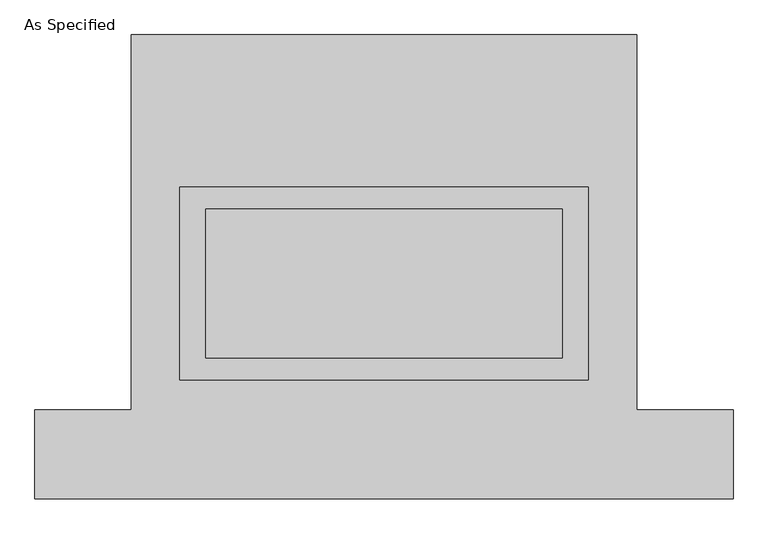
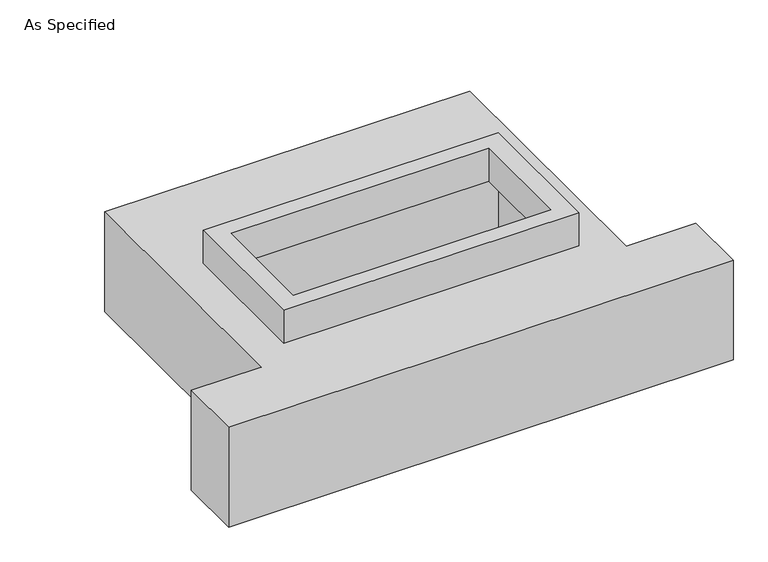
"""IFC4 building model written with IfcOpenShell, lengths in millimetres: proxy geometry, As Specified."""

import ifcopenshell
import ifcopenshell.guid

model = None  # the IFC model being written
_history = None  # IfcOwnerHistory: only IFC2X3 demands one
_inside = {}  # id of a spatial element -> (the spatial element, [elements in it])
_under = {}  # id of a project, library or spatial element -> (it, [spatial elements below it])
_declared = {}  # id of a project -> (the project, [libraries it declares])
_typed = {}  # id of a type object -> (the type object, [elements of that type])
_made_of = {}  # id of a material, layer set ... -> (it, [elements and type objects made of it])


def new_model(schema):
    """Start an empty IFC model of exactly this schema.

    Asked for "IFC4X3", IfcOpenShell would pick the latest addendum, in which some entities
    have other attributes; the version numbers below select the first issue.
    IFC2X3 requires an IfcOwnerHistory on every rooted entity: one is made here for all.
    """
    global model, _history
    if schema == "IFC4X3":
        model = ifcopenshell.file(schema_version=(4, 3, 0, 0))
    else:
        model = ifcopenshell.file(schema=schema)
    _inside.clear()
    _under.clear()
    _declared.clear()
    _typed.clear()
    _made_of.clear()
    _history = None
    if model.schema == "IFC2X3":
        org = make("IfcOrganization", Name="unknown")
        user = make(
            "IfcPersonAndOrganization",
            ThePerson=make("IfcPerson", FamilyName="unknown"),
            TheOrganization=org,
        )
        app = make(
            "IfcApplication",
            ApplicationDeveloper=org,
            Version="unknown",
            ApplicationFullName="unknown",
            ApplicationIdentifier="unknown",
        )
        _history = make(
            "IfcOwnerHistory",
            OwningUser=user,
            OwningApplication=app,
            ChangeAction="ADDED",
            CreationDate=0,
        )
    return model


def make(cls, **values):
    """One entity of the class cls with the attributes given. An attribute that is None is left unset."""
    return model.create_entity(
        cls, **{name: value for name, value in values.items() if value is not None}
    )


def rooted(cls, **values):
    """An entity with a GlobalId (a new one), such as an element, a storey or a relation."""
    return make(cls, GlobalId=ifcopenshell.guid.new(), OwnerHistory=_history, **values)


def si_unit(unit_type, name, prefix=None):
    """IfcSIUnit, for example si_unit("LENGTHUNIT", "METRE", prefix="MILLI")."""
    return make("IfcSIUnit", UnitType=unit_type, Prefix=prefix, Name=name)


def assignment(units):
    """IfcUnitAssignment: the units of a project."""
    return None if units is None else make("IfcUnitAssignment", Units=units)


def point(xyz):
    """IfcCartesianPoint."""
    return None if xyz is None else make("IfcCartesianPoint", Coordinates=xyz)


def direction(xyz):
    """IfcDirection."""
    return None if xyz is None else make("IfcDirection", DirectionRatios=xyz)


def frame(location, z_axis=None, x_axis=None):
    """IfcAxis2Placement3D, a coordinate frame: its origin and axes. An axis left out is left unset."""
    return make(
        "IfcAxis2Placement3D",
        Location=point(location),
        Axis=direction(z_axis),
        RefDirection=direction(x_axis),
    )


def origin():
    """The frame at (0, 0, 0) with its axes left unset."""
    return frame((0.0, 0.0, 0.0))


def place(relative_to, where):
    """IfcLocalPlacement: puts the frame where relative to a parent placement (None: the world)."""
    return make(
        "IfcLocalPlacement", PlacementRelTo=relative_to, RelativePlacement=where
    )


def context(
    kind, dimensions, precision=None, world=None, true_north=None, identifier=None
):
    """IfcGeometricRepresentationContext, for example the 3D "Model" context."""
    return make(
        "IfcGeometricRepresentationContext",
        ContextIdentifier=identifier,
        ContextType=kind,
        CoordinateSpaceDimension=dimensions,
        Precision=precision,
        WorldCoordinateSystem=world,
        TrueNorth=true_north,
    )


def project(units=None, contexts=None):
    """IfcProject with its units and contexts."""
    return rooted(
        "IfcProject",
        Name="project",
        RepresentationContexts=contexts,
        UnitsInContext=assignment(units),
    )


def spatial(cls, under=None, at=None, **own):
    """A site, building, storey or space (cls), placed at a placement, below another one or the project."""
    s = rooted(cls, ObjectPlacement=at, **own)
    if under is not None:
        _under.setdefault(under.id(), (under, []))[1].append(s)
    return s


def polyline(points):
    """IfcPolyline through the points."""
    return make("IfcPolyline", Points=[point(p) for p in points])


def outline(outer, holes=None, kind="AREA"):
    """IfcArbitraryClosedProfileDef: a profile drawn as a closed curve; with holes, ...WithVoids."""
    if holes is None:
        return make("IfcArbitraryClosedProfileDef", ProfileType=kind, OuterCurve=outer)
    return make(
        "IfcArbitraryProfileDefWithVoids",
        ProfileType=kind,
        OuterCurve=outer,
        InnerCurves=holes,
    )


def extrude(swept, where, along, depth):
    """IfcExtrudedAreaSolid: the profile swept, set in the frame where, extruded along a direction by depth."""
    return make(
        "IfcExtrudedAreaSolid",
        SweptArea=swept,
        Position=where,
        ExtrudedDirection=direction(along),
        Depth=depth,
    )


def faces_of(points, faces, orient=None, outer=None):
    """IfcFace entities. A face is a list of loops; a loop is a list of indices into points, from 0.

    orient and outer hold one flag for each loop. By default every Orientation is true, the
    first loop of a face is its IfcFaceOuterBound and the others are IfcFaceBound.
    """
    made = []
    for i, loops in enumerate(faces):
        bounds = []
        for j, loop in enumerate(loops):
            is_outer = j == 0 if outer is None else outer[i][j]
            bounds.append(
                make(
                    "IfcFaceOuterBound" if is_outer else "IfcFaceBound",
                    Bound=make("IfcPolyLoop", Polygon=[points[k] for k in loop]),
                    Orientation=True if orient is None else orient[i][j],
                )
            )
        made.append(make("IfcFace", Bounds=bounds))
    return made


def faceted_brep(points, faces, orient=None, outer=None, voids=None):
    """IfcFacetedBrep: a solid bounded by flat faces; with voids (closed shells), ...WithVoids."""
    shared = [point(p) for p in points]
    hull = make("IfcClosedShell", CfsFaces=faces_of(shared, faces, orient, outer))
    if voids is None:
        return make("IfcFacetedBrep", Outer=hull)
    return make(
        "IfcFacetedBrepWithVoids",
        Outer=hull,
        Voids=[
            make(cls, CfsFaces=faces_of(shared, fs, o, b)) for cls, fs, o, b in voids
        ],
    )


def shape(context_of_items, identifier, shape_type, items):
    """IfcShapeRepresentation: the items that make up one representation, for example the "Body"."""
    return make(
        "IfcShapeRepresentation",
        ContextOfItems=context_of_items,
        RepresentationIdentifier=identifier,
        RepresentationType=shape_type,
        Items=items,
    )


def source(mapping_origin, context_of_items, identifier, shape_type, items):
    """IfcRepresentationMap: a shape defined once, which mapped items show again and again."""
    return make(
        "IfcRepresentationMap",
        MappingOrigin=mapping_origin,
        MappedRepresentation=shape(context_of_items, identifier, shape_type, items),
    )


def transform(
    local_origin,
    x_axis=None,
    y_axis=None,
    z_axis=None,
    scale=None,
    scale2=None,
    scale3=None,
    uniform=True,
):
    """IfcCartesianTransformationOperator3D, or its non-uniform kind. x_axis, y_axis, z_axis: its Axis1, 2, 3."""
    if uniform:
        return make(
            "IfcCartesianTransformationOperator3D",
            Axis1=direction(x_axis),
            Axis2=direction(y_axis),
            LocalOrigin=point(local_origin),
            Scale=scale,
            Axis3=direction(z_axis),
        )
    return make(
        "IfcCartesianTransformationOperator3DnonUniform",
        Axis1=direction(x_axis),
        Axis2=direction(y_axis),
        LocalOrigin=point(local_origin),
        Scale=scale,
        Axis3=direction(z_axis),
        Scale2=scale2,
        Scale3=scale3,
    )


def mapped(mapping_source, mapping_target):
    """IfcMappedItem: shows the shape of a source again, moved by a transform."""
    return make(
        "IfcMappedItem", MappingSource=mapping_source, MappingTarget=mapping_target
    )


def made_of(thing, what):
    """Note that an element or type object is made of a material, layer set ...; save() writes the relation."""
    if what is not None:
        _made_of.setdefault(what.id(), (what, []))[1].append(thing)
    return thing


def element(
    cls,
    number,
    at=None,
    inside=None,
    cuts=None,
    type_object=None,
    material=None,
    context=None,
    identifier="Body",
    shape_type=None,
    held_by="IfcProductDefinitionShape",
    body=None,
    shapes=None,
    **own,
):
    """One element of the class cls, such as IfcWall. Its Tag is "e" and its number.

    at: its placement. inside: the storey or other place that contains it. cuts: it is an
    opening in that element (IfcRelVoidsElement). A single representation is given by context,
    identifier, shape_type and body (its items); several are given by shapes. held_by: the class
    of the entity that holds the representations. save() writes the other relations.
    """
    e = rooted(cls, Tag="e%d" % number, ObjectPlacement=at, **own)
    if body is not None:
        shapes = [shape(context, identifier, shape_type, body)]
    if shapes is not None:
        e.Representation = make(held_by, Representations=shapes)
    if inside is not None:
        _inside.setdefault(inside.id(), (inside, []))[1].append(e)
    if cuts is not None:
        rooted(
            "IfcRelVoidsElement", RelatingBuildingElement=cuts, RelatedOpeningElement=e
        )
    if type_object is not None:
        _typed.setdefault(type_object.id(), (type_object, []))[1].append(e)
    return made_of(e, material)


def aggregate(whole, parts):
    """IfcRelAggregates: a whole, such as a stair, and the parts it consists of."""
    return rooted("IfcRelAggregates", RelatingObject=whole, RelatedObjects=parts)


def save(model, path):
    """Write the relations noted so far, then the file.

    IfcRelAggregates (storeys below a building ...), IfcRelContainedInSpatialStructure (elements
    in a storey), IfcRelDefinesByType, IfcRelAssociatesMaterial and IfcRelDeclares: one each for
    every whole, place, type object, material and project.
    """
    for whole, parts in _under.values():
        aggregate(whole, parts)
    for where, things in _inside.values():
        rooted(
            "IfcRelContainedInSpatialStructure",
            RelatedElements=things,
            RelatingStructure=where,
        )
    for kind, things in _typed.values():
        rooted("IfcRelDefinesByType", RelatedObjects=things, RelatingType=kind)
    for what, things in _made_of.values():
        rooted("IfcRelAssociatesMaterial", RelatedObjects=things, RelatingMaterial=what)
    for by, libraries in _declared.values():
        rooted("IfcRelDeclares", RelatingContext=by, RelatedDefinitions=libraries)
    model.write(path)


def as_specified_c3046e81(model_context):
    return source(origin(), model_context, "Body", "SolidModel", [
        extrude(outline(polyline([(698.5, 273.05), (698.5, -387.35), (-698.5, -387.35), (-698.5, 273.05), (698.5, 273.05)]), holes=[polyline([(609.6, 196.85), (-609.6, 196.85), (-609.6, -311.15), (609.6, -311.15), (609.6, 196.85)])]), frame((0.0, 0.0, -25.4), z_axis=(0.0, 0.0, 1.0), x_axis=(1.0, 0.0, 0.0)), (0.0, 0.0, 1.0), 165.1),
        faceted_brep([(-863.6, 793.75, -523.875), (863.6, 793.75, -523.875), (863.6, -488.95, -523.875), (1193.8, -488.95, -523.875), (1193.8, -793.75, -523.875), (-1193.8, -793.75, -523.875), (-1193.8, -488.95, -523.875), (-863.6, -488.95, -523.875), (863.6, 793.75, -25.4), (-863.6, 793.75, -25.4), (-863.6, -488.95, -25.4), (-1193.8, -488.95, -25.4), (-1193.8, -793.75, -25.4), (1193.8, -793.75, -25.4), (1193.8, -488.95, -25.4), (863.6, -488.95, -25.4), (-698.5, -387.35, -25.4), (-698.5, 273.05, -25.4), (698.5, 273.05, -25.4), (698.5, -387.35, -25.4), (698.5, 273.05, -498.475), (-698.5, 273.05, -498.475), (-698.5, -387.35, -498.475), (698.5, -387.35, -498.475)], [[[0, 1, 2, 3, 4, 5, 6, 7]], [[8, 9, 10, 11, 12, 13, 14, 15], [16, 17, 18, 19]], [[1, 0, 9, 8]], [[9, 0, 7, 10]], [[1, 8, 15, 2]], [[20, 21, 22, 23]], [[22, 21, 17, 16]], [[21, 20, 18, 17]], [[20, 23, 19, 18]], [[23, 22, 16, 19]], [[5, 4, 13, 12]], [[3, 2, 15, 14]], [[4, 3, 14, 13]], [[7, 6, 11, 10]], [[6, 5, 12, 11]]]),
    ])


if __name__ == "__main__":
    model = new_model("IFC4")
    model_context = context("Model", 3, world=origin())
    ifc_project = project(units=[si_unit("LENGTHUNIT", "METRE", prefix="MILLI")], contexts=[model_context])
    site = spatial("IfcSite", under=ifc_project)
    building = spatial("IfcBuilding", under=site)
    placement = place(None, origin())
    as_specified_shape = as_specified_c3046e81(model_context)
    element("IfcBuildingElementProxy", 1, Name="As Specified", ObjectType="As Specified", at=placement, inside=building, context=model_context, shape_type="MappedRepresentation", body=[
        mapped(as_specified_shape, transform((0.0, 0.0, 0.0), x_axis=(1.0, 0.0, 0.0), y_axis=(0.0, 1.0, 0.0), z_axis=(0.0, 0.0, 1.0))),
    ])
    save(model, "model.ifc")
